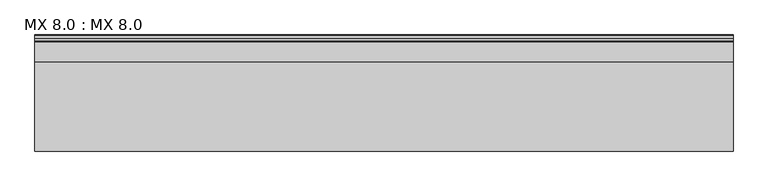
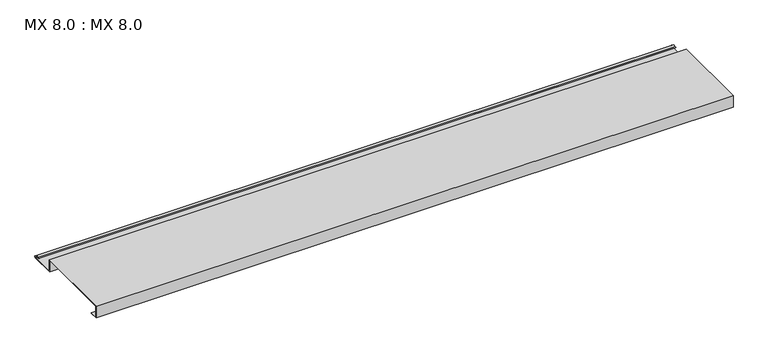
"""IFC4 building model written with IfcOpenShell, lengths in millimetres: proxy geometry, MX 8.0 : MX 8.0."""

from ifc_helpers import new_model, si_unit, point, frame, frame_2d, origin, place, context, project, spatial, polyline, circle_curve, trimmed, segment, composite_curve, outline, extrude, source, transform, mapped, element, save


def mx_8_0_mx_8_0_6361ee75(model_context):
    return source(origin(), model_context, "Body", "SweptSolid", [
        extrude(outline(composite_curve([segment(polyline([(0.0, 0.0), (0.0, 38.0), (250.0, 38.0), (250.0, 0.0), (325.0510156, 0.0)]), True, "CONTINUOUS"), segment(trimmed(circle_curve(frame_2d((324.3094696, 1.9153551)), 2.0538928), [point((325.0510156, 0.0))], [point((325.1748462, 3.778041))], True, "CARTESIAN"), True, "CONTINUOUS"), segment(polyline([(325.1748462, 3.778041), (308.7874714, 6.923107)]), True, "CONTINUOUS"), segment(trimmed(circle_curve(frame_2d((309.4078886, 8.6005442)), 1.7884947), [point((308.7874714, 6.923107))], [point((308.9525789, 10.3301125))], False, "CARTESIAN"), True, "CONTINUOUS"), segment(polyline([(308.9525789, 10.3301125), (316.459338, 11.6715995), (316.635255, 10.6871945), (309.1762081, 9.3542338)]), True, "CONTINUOUS"), segment(trimmed(circle_curve(frame_2d((309.4078886, 8.6005442)), 0.7884947), [point((309.1762081, 9.3542338))], [point((309.0735117, 7.8864603))], True, "CARTESIAN"), True, "CONTINUOUS"), segment(polyline([(309.0735117, 7.8864603), (325.4722719, 4.7392091)]), True, "CONTINUOUS"), segment(trimmed(circle_curve(frame_2d((324.3094696, 1.9153551)), 3.0538928), [point((325.4722719, 4.7392091))], [point((325.2188462, -1.0))], False, "CARTESIAN"), True, "CONTINUOUS"), segment(polyline([(325.2188462, -1.0), (249.0, -1.0), (249.0, 37.0), (1.0, 37.0), (1.0, 1.0), (25.0, 1.0), (25.0, 0.0), (0.0, 0.0)]), True, "CONTINUOUS")], self_intersect=False)), frame((0.0, 0.0, 0.0), z_axis=(1.0, 0.0, 0.0), x_axis=(0.0, 1.0, 0.0)), (0.0, 0.0, 1.0), 1968.5604387),
    ])


if __name__ == "__main__":
    model = new_model("IFC4")
    model_context = context("Model", 3, world=origin())
    ifc_project = project(units=[si_unit("LENGTHUNIT", "METRE", prefix="MILLI")], contexts=[model_context])
    site = spatial("IfcSite", under=ifc_project)
    building = spatial("IfcBuilding", under=site)
    placement = place(None, origin())
    mx_8_0_mx_8_0_shape = mx_8_0_mx_8_0_6361ee75(model_context)
    element("IfcBuildingElementProxy", 1, Name="MX 8.0 : MX 8.0", ObjectType="MX 8.0 : MX 8.0", at=placement, inside=building, context=model_context, shape_type="MappedRepresentation", body=[
        mapped(mx_8_0_mx_8_0_shape, transform((0.0, 0.0, 0.0), x_axis=(1.0, 0.0, 0.0), y_axis=(0.0, 1.0, 0.0), z_axis=(0.0, 0.0, 1.0))),
    ])
    save(model, "model.ifc")
